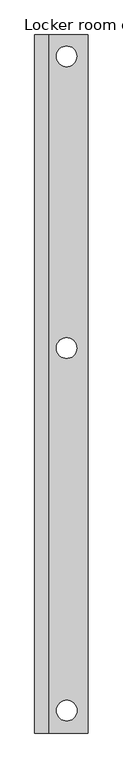
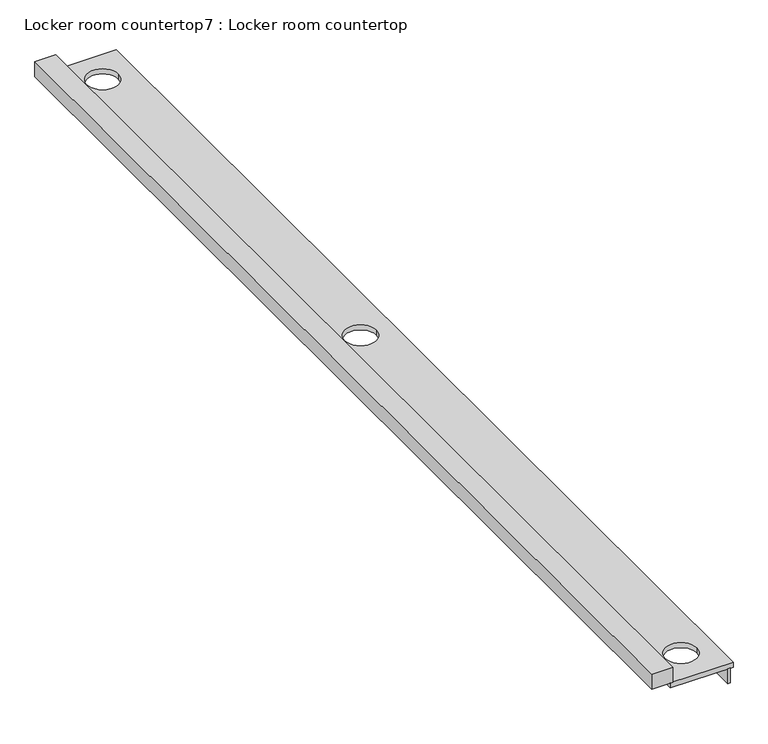
"""IFC4 building model written with IfcOpenShell, lengths in millimetres: furniture geometry, Locker room countertop7 : Locker room countertop."""

from ifc_helpers import new_model, si_unit, point, frame, frame_2d, origin, place, context, project, spatial, polyline, circle_curve, trimmed, segment, composite_curve, outline, extrude, source, transform, mapped, element, save


def locker_room_countertop7_locker_room_countertop_95348678(model_context):
    return source(origin(), model_context, "Body", "SweptSolid", [
        extrude(outline(polyline([(452880.2004676, -350597.0080223), (452854.8004676, -350597.0080223), (452854.8004676, -340267.1455223), (452880.2004676, -340267.1455223), (452880.2004676, -350597.0080223)])), frame((0.0, 0.0, 660.4), z_axis=(0.0, 0.0, 1.0), x_axis=(1.0, 0.0, 0.0)), (0.0, 0.0, 1.0), 152.4),
        extrude(outline(polyline([(452321.4004676, -340267.1455223), (452321.4004676, -350597.0080223), (452118.2004676, -350597.0080223), (452118.2004676, -340267.1455223), (452321.4004676, -340267.1455223)])), frame((0.0, 0.0, 863.6), z_axis=(0.0, 0.0, 1.0), x_axis=(1.0, 0.0, 0.0)), (0.0, 0.0, 1.0), 152.4),
        extrude(outline(polyline([(452905.6004676, -340267.1455223), (452905.6004676, -350597.0080223), (452296.0004676, -350597.0080223), (452296.0004676, -340267.1455223), (452905.6004676, -340267.1455223)]), holes=[composite_curve([segment(trimmed(circle_curve(frame_2d((452590.8010369, -340583.6938124)), 152.4), [point((452438.4010369, -340583.6938124))], [point((452743.2010369, -340583.6938124))], True, "CARTESIAN"), True, "CONTINUOUS"), segment(trimmed(circle_curve(frame_2d((452590.8010369, -340583.6938124)), 152.4), [point((452743.2010369, -340583.6938124))], [point((452438.4010369, -340583.6938124))], True, "CARTESIAN"), True, "CONTINUOUS")], self_intersect=False), composite_curve([segment(trimmed(circle_curve(frame_2d((452593.4692313, -350264.4263657)), 152.4), [point((452441.0692313, -350264.4263657))], [point((452745.8692313, -350264.4263657))], True, "CARTESIAN"), True, "CONTINUOUS"), segment(trimmed(circle_curve(frame_2d((452593.4692313, -350264.4263657)), 152.4), [point((452745.8692313, -350264.4263657))], [point((452441.0692313, -350264.4263657))], True, "CARTESIAN"), True, "CONTINUOUS")], self_intersect=False), composite_curve([segment(trimmed(circle_curve(frame_2d((452590.8010369, -344901.6938124)), 152.4), [point((452438.4010369, -344901.6938124))], [point((452743.2010369, -344901.6938124))], True, "CARTESIAN"), True, "CONTINUOUS"), segment(trimmed(circle_curve(frame_2d((452590.8010369, -344901.6938124)), 152.4), [point((452743.2010369, -344901.6938124))], [point((452438.4010369, -344901.6938124))], True, "CARTESIAN"), True, "CONTINUOUS")], self_intersect=False)]), frame((0.0, 0.0, 812.8), z_axis=(0.0, 0.0, 1.0), x_axis=(1.0, 0.0, 0.0)), (0.0, 0.0, 1.0), 50.8),
    ])


if __name__ == "__main__":
    model = new_model("IFC4")
    model_context = context("Model", 3, world=origin())
    ifc_project = project(units=[si_unit("LENGTHUNIT", "METRE", prefix="MILLI")], contexts=[model_context])
    site = spatial("IfcSite", under=ifc_project)
    building = spatial("IfcBuilding", under=site)
    placement = place(None, origin())
    locker_room_countertop7_locker_room_countertop_shape = locker_room_countertop7_locker_room_countertop_95348678(model_context)
    element("IfcFurniture", 1, ObjectType="Locker room countertop7 : Locker room countertop", at=placement, inside=building, context=model_context, shape_type="MappedRepresentation", body=[
        mapped(locker_room_countertop7_locker_room_countertop_shape, transform((0.0, 0.0, 0.0), x_axis=(1.0, 0.0, 0.0), y_axis=(0.0, 1.0, 0.0), z_axis=(0.0, 0.0, 1.0))),
    ])
    save(model, "model.ifc")
